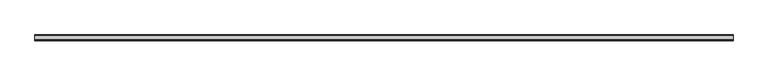
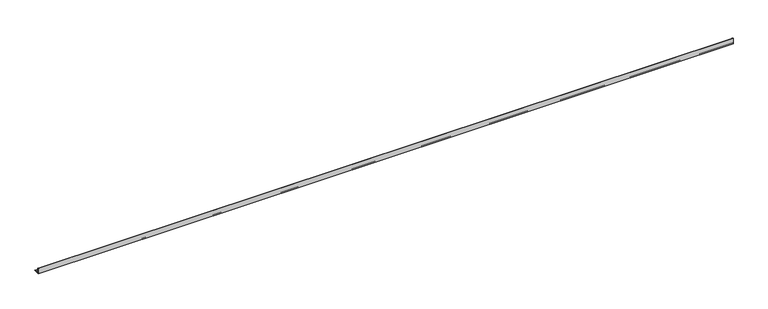
"""IFC4 building model written with IfcOpenShell, lengths in millimetres: beam geometry."""

from ifc_helpers import new_model, si_unit, point, frame, frame_2d, origin, place, context, project, spatial, polyline, circle_curve, trimmed, segment, composite_curve, outline, extrude, source, transform, mapped, element, save


def beam_8511d2fb(model_context):
    return source(origin(), model_context, "Body", "SweptSolid", [
        extrude(outline(composite_curve([segment(polyline([(-21.3, -21.3), (-21.3, 53.7), (-18.3, 53.7)]), True, "CONTINUOUS"), segment(trimmed(circle_curve(frame_2d((-18.3, 48.7)), 5.0), [point((-18.3, 53.7))], [point((-13.3, 48.7))], False, "CARTESIAN"), True, "CONTINUOUS"), segment(polyline([(-13.3, 48.7), (-13.3, -5.3)]), True, "CONTINUOUS"), segment(trimmed(circle_curve(frame_2d((-5.3, -5.3)), 8.0), [point((-13.3, -5.3))], [point((-5.3, -13.3))], True, "CARTESIAN"), True, "CONTINUOUS"), segment(polyline([(-5.3, -13.3), (48.7, -13.3)]), True, "CONTINUOUS"), segment(trimmed(circle_curve(frame_2d((48.7, -18.3)), 5.0), [point((48.7, -13.3))], [point((53.7, -18.3))], False, "CARTESIAN"), True, "CONTINUOUS"), segment(polyline([(53.7, -18.3), (53.7, -21.3), (-21.3, -21.3)]), True, "CONTINUOUS")], self_intersect=False)), frame((-4517.5, 0.0, 0.0), z_axis=(1.0, 0.0, 0.0), x_axis=(0.0, 1.0, 0.0)), (0.0, 0.0, 1.0), 8980.0),
    ])


if __name__ == "__main__":
    model = new_model("IFC4")
    model_context = context("Model", 3, world=origin())
    ifc_project = project(units=[si_unit("LENGTHUNIT", "METRE", prefix="MILLI")], contexts=[model_context])
    site = spatial("IfcSite", under=ifc_project)
    building = spatial("IfcBuilding", under=site)
    placement = place(None, origin())
    beam_shape = beam_8511d2fb(model_context)
    element("IfcBeam", 1, at=placement, inside=building, context=model_context, shape_type="MappedRepresentation", body=[
        mapped(beam_shape, transform((0.0, 0.0, 0.0), x_axis=(1.0, 0.0, 0.0), y_axis=(0.0, 1.0, 0.0), z_axis=(0.0, 0.0, 1.0))),
    ])
    save(model, "model.ifc")
